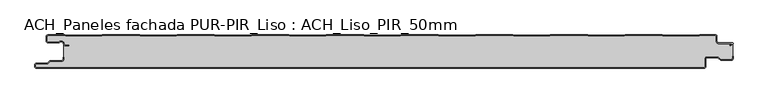
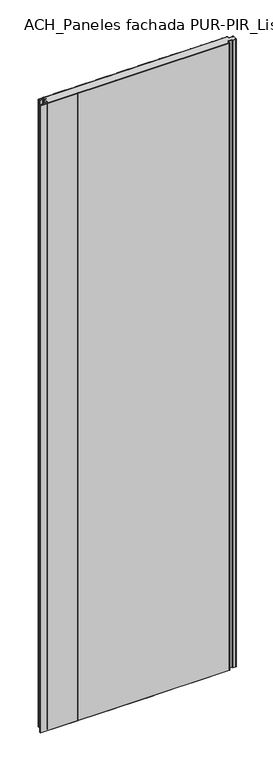
"""IFC4 building model written with IfcOpenShell, lengths in millimetres: plate geometry, ACH_Paneles fachada PUR-PIR_Liso : ACH_Liso_PIR_50mm."""

from ifc_helpers import new_model, si_unit, point, frame_2d, origin, origin_with_axes, place, context, project, spatial, polyline, circle_curve, trimmed, segment, composite_curve, outline, extrude, source, transform, mapped, element, save


def ach_paneles_fachada_pur_pir_liso_ach_liso_pir_50mm_5c231850(model_context):
    return source(origin(), model_context, "Body", "SweptSolid", [
        extrude(outline(composite_curve([segment(trimmed(circle_curve(frame_2d((-514.5, -47.5)), 2.5), [point((-514.5, -50.0))], [point((-517.0, -47.5))], False, "CARTESIAN"), True, "CONTINUOUS"), segment(polyline([(-517.0, -47.5), (-517.0, -44.5)]), True, "CONTINUOUS"), segment(trimmed(circle_curve(frame_2d((-514.5, -44.5)), 2.5), [point((-517.0, -44.5))], [point((-514.5, -42.0))], False, "CARTESIAN"), True, "CONTINUOUS"), segment(polyline([(-514.5, -42.0), (-498.5, -42.0), (-494.75, -38.25), (-477.0, -38.25)]), True, "CONTINUOUS"), segment(trimmed(circle_curve(frame_2d((-477.0, -36.25)), 2.0), [point((-477.0, -38.25))], [point((-475.0, -36.25))], True, "CARTESIAN"), True, "CONTINUOUS"), segment(polyline([(-475.0, -36.25), (-475.0, -33.25), (-474.2, -33.25), (-474.2, -36.25)]), True, "CONTINUOUS"), segment(trimmed(circle_curve(frame_2d((-477.0, -36.25)), 2.8), [point((-474.2, -36.25))], [point((-477.0, -39.05))], False, "CARTESIAN"), True, "CONTINUOUS"), segment(polyline([(-477.0, -39.05), (-494.4186292, -39.05), (-498.1686292, -42.8), (-514.5, -42.8)]), True, "CONTINUOUS"), segment(trimmed(circle_curve(frame_2d((-514.5, -44.5)), 1.7), [point((-514.5, -42.8))], [point((-516.2, -44.5))], True, "CARTESIAN"), True, "CONTINUOUS"), segment(polyline([(-516.2, -44.5), (-516.2, -47.5)]), True, "CONTINUOUS"), segment(trimmed(circle_curve(frame_2d((-514.5, -47.5)), 1.7), [point((-516.2, -47.5))], [point((-514.5, -49.2))], True, "CARTESIAN"), True, "CONTINUOUS"), segment(polyline([(-514.5, -49.2), (480.5, -49.2)]), True, "CONTINUOUS"), segment(trimmed(circle_curve(frame_2d((480.5, -47.5)), 1.7), [point((480.5, -49.2))], [point((482.2, -47.5))], True, "CARTESIAN"), True, "CONTINUOUS"), segment(polyline([(482.2, -47.5), (482.2, -36.0)]), True, "CONTINUOUS"), segment(trimmed(circle_curve(frame_2d((485.0, -36.0)), 2.8), [point((482.2, -36.0))], [point((485.0, -33.2))], False, "CARTESIAN"), True, "CONTINUOUS"), segment(polyline([(485.0, -33.2), (501.7886271, -33.2), (505.8492873, -36.95), (521.5, -36.95)]), True, "CONTINUOUS"), segment(trimmed(circle_curve(frame_2d((521.5, -35.25)), 1.7), [point((521.5, -36.95))], [point((523.2, -35.25))], True, "CARTESIAN"), True, "CONTINUOUS"), segment(polyline([(523.2, -35.25), (523.2, -31.75), (524.0, -31.75), (524.0, -35.25)]), True, "CONTINUOUS"), segment(trimmed(circle_curve(frame_2d((521.5, -35.25)), 2.5), [point((524.0, -35.25))], [point((521.5, -37.75))], False, "CARTESIAN"), True, "CONTINUOUS"), segment(polyline([(521.5, -37.75), (505.5363961, -37.75), (501.4757359, -34.0), (485.0, -34.0)]), True, "CONTINUOUS"), segment(trimmed(circle_curve(frame_2d((485.0, -36.0)), 2.0), [point((485.0, -34.0))], [point((483.0, -36.0))], True, "CARTESIAN"), True, "CONTINUOUS"), segment(polyline([(483.0, -36.0), (483.0, -47.5)]), True, "CONTINUOUS"), segment(trimmed(circle_curve(frame_2d((480.5, -47.5)), 2.5), [point((483.0, -47.5))], [point((480.5, -50.0))], False, "CARTESIAN"), True, "CONTINUOUS"), segment(polyline([(480.5, -50.0), (-514.5, -50.0)]), True, "CONTINUOUS")], self_intersect=False)), origin_with_axes(), (0.0, 0.0, 1.0), 3500.0),
        extrude(outline(composite_curve([segment(trimmed(circle_curve(frame_2d((-497.49499, -9.0180361)), 2.50501), [point((-497.49499, -11.5230461))], [point((-500.0, -9.0180361))], False, "CARTESIAN"), True, "CONTINUOUS"), segment(polyline([(-500.0, -9.0180361), (-500.0, -2.50501)]), True, "CONTINUOUS"), segment(trimmed(circle_curve(frame_2d((-497.49499, -2.50501)), 2.50501), [point((-500.0, -2.50501))], [point((-497.49499, 0.0))], False, "CARTESIAN"), True, "CONTINUOUS"), segment(polyline([(-497.49499, 0.0), (-472.2103007, 0.0), (-471.028188, -0.6012024), (-417.6391467, -0.6012024), (-416.457034, 0.0), (-360.8776353, 0.0), (-359.6955227, -0.6012024), (-306.3064814, -0.6012024), (-305.1243687, 0.0), (-249.54497, 0.0), (-248.3628573, -0.6012024), (-194.973816, -0.6012024), (-193.7917033, 0.0), (-138.2123047, 0.0), (-137.030192, -0.6012024), (-83.6411507, -0.6012024), (-82.459038, 0.0), (-26.8796393, 0.0), (-25.6975267, -0.6012024), (27.6915146, -0.6012024), (28.8736273, 0.0), (84.453026, 0.0), (85.6351387, -0.6012024), (139.02418, -0.6012024), (140.2062927, 0.0), (195.7856913, 0.0), (196.967804, -0.6012024), (250.3568453, -0.6012024), (251.538958, 0.0), (307.1183566, 0.0), (308.3004693, -0.6012024), (361.6895106, -0.6012024), (362.8716233, 0.0), (418.451022, 0.0), (419.6331347, -0.6012024), (473.022176, -0.6012024), (474.2042886, 0.0), (497.49499, 0.0)]), True, "CONTINUOUS"), segment(trimmed(circle_curve(frame_2d((497.49499, -2.50501)), 2.50501), [point((497.49499, 0.0))], [point((500.0, -2.50501))], False, "CARTESIAN"), True, "CONTINUOUS"), segment(polyline([(500.0, -2.50501), (500.0, -10.0200401)]), True, "CONTINUOUS"), segment(trimmed(circle_curve(frame_2d((502.004008, -10.0200401)), 2.004008), [point((500.0, -10.0200401))], [point((502.004008, -12.0240481))], True, "CARTESIAN"), True, "CONTINUOUS"), segment(polyline([(502.004008, -12.0240481), (522.96027, -12.0240481)]), True, "CONTINUOUS"), segment(trimmed(circle_curve(frame_2d((522.96027, -13.0490481)), 1.025), [point((522.96027, -12.0240481))], [point((523.47277, -13.9367241))], False, "CARTESIAN"), True, "CONTINUOUS"), segment(polyline([(523.47277, -13.9367241), (519.5390782, -16.2078422), (519.1390782, -15.5150218), (522.183956, -13.7570608)]), True, "CONTINUOUS"), segment(trimmed(circle_curve(frame_2d((521.933956, -13.3240481)), 0.5), [point((522.183956, -13.7570608))], [point((521.933956, -12.8240481))], True, "CARTESIAN"), True, "CONTINUOUS"), segment(polyline([(521.933956, -12.8240481), (502.004008, -12.8240481)]), True, "CONTINUOUS"), segment(trimmed(circle_curve(frame_2d((502.004008, -10.0200401)), 2.804008), [point((502.004008, -12.8240481))], [point((499.2, -10.0200401))], False, "CARTESIAN"), True, "CONTINUOUS"), segment(polyline([(499.2, -10.0200401), (499.2, -2.50501)]), True, "CONTINUOUS"), segment(trimmed(circle_curve(frame_2d((497.49499, -2.50501)), 1.70501), [point((499.2, -2.50501))], [point((497.49499, -0.8))], True, "CARTESIAN"), True, "CONTINUOUS"), segment(polyline([(497.49499, -0.8), (474.396035, -0.8), (473.2139223, -1.4012024), (419.4413883, -1.4012024), (418.2592756, -0.8), (363.0633697, -0.8), (361.881257, -1.4012024), (308.108723, -1.4012024), (306.9266103, -0.8), (251.7307044, -0.8), (250.5485917, -1.4012024), (196.7760576, -1.4012024), (195.5939449, -0.8), (140.398039, -0.8), (139.2159263, -1.4012024), (85.4433923, -1.4012024), (84.2612796, -0.8), (29.0653737, -0.8), (27.883261, -1.4012024), (-25.889273, -1.4012024), (-27.0713857, -0.8), (-82.2672916, -0.8), (-83.4494043, -1.4012024), (-137.2219384, -1.4012024), (-138.4040511, -0.8), (-193.599957, -0.8), (-194.7820696, -1.4012024), (-248.5546037, -1.4012024), (-249.7367164, -0.8), (-304.9326223, -0.8), (-306.114735, -1.4012024), (-359.887269, -1.4012024), (-361.0693817, -0.8), (-416.2652876, -0.8), (-417.4474003, -1.4012024), (-471.2199344, -1.4012024), (-472.4020471, -0.8), (-497.49499, -0.8)]), True, "CONTINUOUS"), segment(trimmed(circle_curve(frame_2d((-497.49499, -2.50501)), 1.70501), [point((-497.49499, -0.8))], [point((-499.2, -2.50501))], True, "CARTESIAN"), True, "CONTINUOUS"), segment(polyline([(-499.2, -2.50501), (-499.2, -9.0180361)]), True, "CONTINUOUS"), segment(trimmed(circle_curve(frame_2d((-497.49499, -9.0180361)), 1.70501), [point((-499.2, -9.0180361))], [point((-497.49499, -10.7230461))], True, "CARTESIAN"), True, "CONTINUOUS"), segment(polyline([(-497.49499, -10.7230461), (-481.8173283, -10.7230461)]), True, "CONTINUOUS"), segment(trimmed(circle_curve(frame_2d((-481.8173283, -9.0180361)), 1.70501), [point((-481.8173283, -10.7230461))], [point((-480.6895701, -10.2967936))], True, "CARTESIAN"), True, "CONTINUOUS"), segment(trimmed(circle_curve(frame_2d((-477.8407481, -13.5270541)), 4.307014), [point((-480.6895701, -10.2967936))], [point((-473.7934788, -12.0539686))], False, "CARTESIAN"), True, "CONTINUOUS"), segment(polyline([(-473.7934788, -12.0539686), (-473.0450711, -14.1102019)]), True, "CONTINUOUS"), segment(trimmed(circle_curve(frame_2d((-471.4428858, -13.5270541)), 1.70501), [point((-473.0450711, -14.1102019))], [point((-471.4428858, -15.2320641))], True, "CARTESIAN"), True, "CONTINUOUS"), segment(polyline([(-471.4428858, -15.2320641), (-466.4328657, -15.2320641), (-466.4328657, -16.0320641), (-471.4428858, -16.0320641)]), True, "CONTINUOUS"), segment(trimmed(circle_curve(frame_2d((-471.4428858, -13.5270541)), 2.50501), [point((-471.4428858, -16.0320641))], [point((-473.7968252, -14.383818))], False, "CARTESIAN"), True, "CONTINUOUS"), segment(polyline([(-473.7968252, -14.383818), (-474.5452329, -12.3275847)]), True, "CONTINUOUS"), segment(trimmed(circle_curve(frame_2d((-477.8407481, -13.5270541)), 3.507014), [point((-474.5452329, -12.3275847))], [point((-480.1604199, -10.8967936))], True, "CARTESIAN"), True, "CONTINUOUS"), segment(trimmed(circle_curve(frame_2d((-481.8173283, -9.0180361)), 2.50501), [point((-480.1604199, -10.8967936))], [point((-481.8173283, -11.5230461))], False, "CARTESIAN"), True, "CONTINUOUS"), segment(polyline([(-481.8173283, -11.5230461), (-497.49499, -11.5230461)]), True, "CONTINUOUS")], self_intersect=False)), origin_with_axes(), (0.0, 0.0, 1.0), 3500.0),
        extrude(outline(composite_curve([segment(polyline([(523.2, -12.8240481), (523.2, -35.25)]), True, "CONTINUOUS"), segment(trimmed(circle_curve(frame_2d((521.5, -35.25)), 1.7), [point((523.2, -35.25))], [point((521.5, -36.95))], False, "CARTESIAN"), True, "CONTINUOUS"), segment(polyline([(521.5, -36.95), (505.8492873, -36.95), (501.7886271, -33.2), (485.0, -33.2)]), True, "CONTINUOUS"), segment(trimmed(circle_curve(frame_2d((485.0, -36.0)), 2.8), [point((485.0, -33.2))], [point((482.2, -36.0))], True, "CARTESIAN"), True, "CONTINUOUS"), segment(polyline([(482.2, -36.0), (482.2, -47.5)]), True, "CONTINUOUS"), segment(trimmed(circle_curve(frame_2d((480.5, -47.5)), 1.7), [point((482.2, -47.5))], [point((480.5, -49.2))], False, "CARTESIAN"), True, "CONTINUOUS"), segment(polyline([(480.5, -49.2), (285.5, -49.2)]), True, "CONTINUOUS"), segment(trimmed(circle_curve(frame_2d((285.5, -47.5)), 1.7), [point((285.5, -49.2))], [point((284.0845596, -48.4415563))], False, "CARTESIAN"), True, "CONTINUOUS"), segment(trimmed(circle_curve(frame_2d((283.0, -49.1630095)), 1.302599), [point((284.0845596, -48.4415563))], [point((281.9154404, -48.4415563))], True, "CARTESIAN"), True, "CONTINUOUS"), segment(trimmed(circle_curve(frame_2d((280.5, -47.5)), 1.7), [point((281.9154404, -48.4415563))], [point((280.5, -49.2))], False, "CARTESIAN"), True, "CONTINUOUS"), segment(polyline([(280.5, -49.2), (85.5, -49.2)]), True, "CONTINUOUS"), segment(trimmed(circle_curve(frame_2d((85.5, -47.5)), 1.7), [point((85.5, -49.2))], [point((84.0845596, -48.4415563))], False, "CARTESIAN"), True, "CONTINUOUS"), segment(trimmed(circle_curve(frame_2d((83.0, -49.1630095)), 1.302599), [point((84.0845596, -48.4415563))], [point((81.9154404, -48.4415563))], True, "CARTESIAN"), True, "CONTINUOUS"), segment(trimmed(circle_curve(frame_2d((80.5, -47.5)), 1.7), [point((81.9154404, -48.4415563))], [point((80.5, -49.2))], False, "CARTESIAN"), True, "CONTINUOUS"), segment(polyline([(80.5, -49.2), (-114.5, -49.2)]), True, "CONTINUOUS"), segment(trimmed(circle_curve(frame_2d((-114.5, -47.5)), 1.7), [point((-114.5, -49.2))], [point((-115.9154404, -48.4415563))], False, "CARTESIAN"), True, "CONTINUOUS"), segment(trimmed(circle_curve(frame_2d((-117.0, -49.1630095)), 1.302599), [point((-115.9154404, -48.4415563))], [point((-118.0845596, -48.4415563))], True, "CARTESIAN"), True, "CONTINUOUS"), segment(trimmed(circle_curve(frame_2d((-119.5, -47.5)), 1.7), [point((-118.0845596, -48.4415563))], [point((-119.5, -49.2))], False, "CARTESIAN"), True, "CONTINUOUS"), segment(polyline([(-119.5, -49.2), (-314.5, -49.2)]), True, "CONTINUOUS"), segment(trimmed(circle_curve(frame_2d((-314.5, -47.5)), 1.7), [point((-314.5, -49.2))], [point((-315.9154404, -48.4415563))], False, "CARTESIAN"), True, "CONTINUOUS"), segment(trimmed(circle_curve(frame_2d((-317.0, -49.1630095)), 1.302599), [point((-315.9154404, -48.4415563))], [point((-318.0845596, -48.4415563))], True, "CARTESIAN"), True, "CONTINUOUS"), segment(trimmed(circle_curve(frame_2d((-319.5, -47.5)), 1.7), [point((-318.0845596, -48.4415563))], [point((-319.5, -49.2))], False, "CARTESIAN"), True, "CONTINUOUS"), segment(polyline([(-319.5, -49.2), (-514.5, -49.2)]), True, "CONTINUOUS"), segment(trimmed(circle_curve(frame_2d((-514.5, -47.5)), 1.7), [point((-514.5, -49.2))], [point((-516.2, -47.5))], False, "CARTESIAN"), True, "CONTINUOUS"), segment(polyline([(-516.2, -47.5), (-516.2, -44.5)]), True, "CONTINUOUS"), segment(trimmed(circle_curve(frame_2d((-514.5, -44.5)), 1.7), [point((-516.2, -44.5))], [point((-514.5, -42.8))], False, "CARTESIAN"), True, "CONTINUOUS"), segment(polyline([(-514.5, -42.8), (-498.1686292, -42.8), (-494.4186292, -39.05), (-477.0, -39.05)]), True, "CONTINUOUS"), segment(trimmed(circle_curve(frame_2d((-477.0, -36.25)), 2.8), [point((-477.0, -39.05))], [point((-474.2, -36.25))], True, "CARTESIAN"), True, "CONTINUOUS"), segment(polyline([(-474.2, -36.25), (-474.2, -11.2258973)]), True, "CONTINUOUS"), segment(trimmed(circle_curve(frame_2d((-477.8407481, -13.5270541)), 4.307014), [point((-474.2, -11.2258973))], [point((-480.6895701, -10.2967936))], True, "CARTESIAN"), True, "CONTINUOUS"), segment(trimmed(circle_curve(frame_2d((-481.8173283, -9.0180361)), 1.70501), [point((-480.6895701, -10.2967936))], [point((-481.8173283, -10.7230461))], False, "CARTESIAN"), True, "CONTINUOUS"), segment(polyline([(-481.8173283, -10.7230461), (-497.49499, -10.7230461)]), True, "CONTINUOUS"), segment(trimmed(circle_curve(frame_2d((-497.49499, -9.0180361)), 1.70501), [point((-497.49499, -10.7230461))], [point((-499.2, -9.0180361))], False, "CARTESIAN"), True, "CONTINUOUS"), segment(polyline([(-499.2, -9.0180361), (-499.2, -2.50501)]), True, "CONTINUOUS"), segment(trimmed(circle_curve(frame_2d((-497.49499, -2.50501)), 1.70501), [point((-499.2, -2.50501))], [point((-497.49499, -0.8))], False, "CARTESIAN"), True, "CONTINUOUS"), segment(polyline([(-497.49499, -0.8), (-472.4020471, -0.8), (-471.2199344, -1.4012024), (-417.4474003, -1.4012024), (-416.2652876, -0.8), (-361.0693817, -0.8), (-359.887269, -1.4012024), (-306.114735, -1.4012024), (-304.9326223, -0.8), (-249.7367164, -0.8), (-248.5546037, -1.4012024), (-194.7820696, -1.4012024), (-193.599957, -0.8), (-138.4040511, -0.8), (-137.2219384, -1.4012024), (-83.4494043, -1.4012024), (-82.2672916, -0.8), (-27.0713857, -0.8), (-25.889273, -1.4012024), (27.883261, -1.4012024), (29.0653737, -0.8), (84.2612796, -0.8), (85.4433923, -1.4012024), (139.2159263, -1.4012024), (140.398039, -0.8), (195.5939449, -0.8), (196.7760576, -1.4012024), (250.5485917, -1.4012024), (251.7307044, -0.8), (306.9266103, -0.8), (308.108723, -1.4012024), (361.881257, -1.4012024), (363.0633697, -0.8), (418.2592756, -0.8), (419.4413883, -1.4012024), (473.2139223, -1.4012024), (474.396035, -0.8), (497.49499, -0.8)]), True, "CONTINUOUS"), segment(trimmed(circle_curve(frame_2d((497.49499, -2.50501)), 1.70501), [point((497.49499, -0.8))], [point((499.2, -2.50501))], False, "CARTESIAN"), True, "CONTINUOUS"), segment(polyline([(499.2, -2.50501), (499.2, -10.0200401)]), True, "CONTINUOUS"), segment(trimmed(circle_curve(frame_2d((502.004008, -10.0200401)), 2.804008), [point((499.2, -10.0200401))], [point((502.004008, -12.8240481))], True, "CARTESIAN"), True, "CONTINUOUS"), segment(polyline([(502.004008, -12.8240481), (523.2, -12.8240481)]), True, "CONTINUOUS")], self_intersect=False)), origin_with_axes(), (0.0, 0.0, 1.0), 3500.0),
    ])


if __name__ == "__main__":
    model = new_model("IFC4")
    model_context = context("Model", 3, world=origin())
    ifc_project = project(units=[si_unit("LENGTHUNIT", "METRE", prefix="MILLI")], contexts=[model_context])
    site = spatial("IfcSite", under=ifc_project)
    building = spatial("IfcBuilding", under=site)
    placement = place(None, origin())
    ach_paneles_fachada_pur_pir_liso_ach_liso_pir_50mm_shape = ach_paneles_fachada_pur_pir_liso_ach_liso_pir_50mm_5c231850(model_context)
    element("IfcPlate", 1, ObjectType="ACH_Paneles fachada PUR-PIR_Liso : ACH_Liso_PIR_50mm", at=placement, inside=building, context=model_context, shape_type="MappedRepresentation", body=[
        mapped(ach_paneles_fachada_pur_pir_liso_ach_liso_pir_50mm_shape, transform((0.0, 0.0, 0.0), x_axis=(1.0, 0.0, 0.0), y_axis=(0.0, 1.0, 0.0), z_axis=(0.0, 0.0, 1.0))),
    ])
    save(model, "model.ifc")
